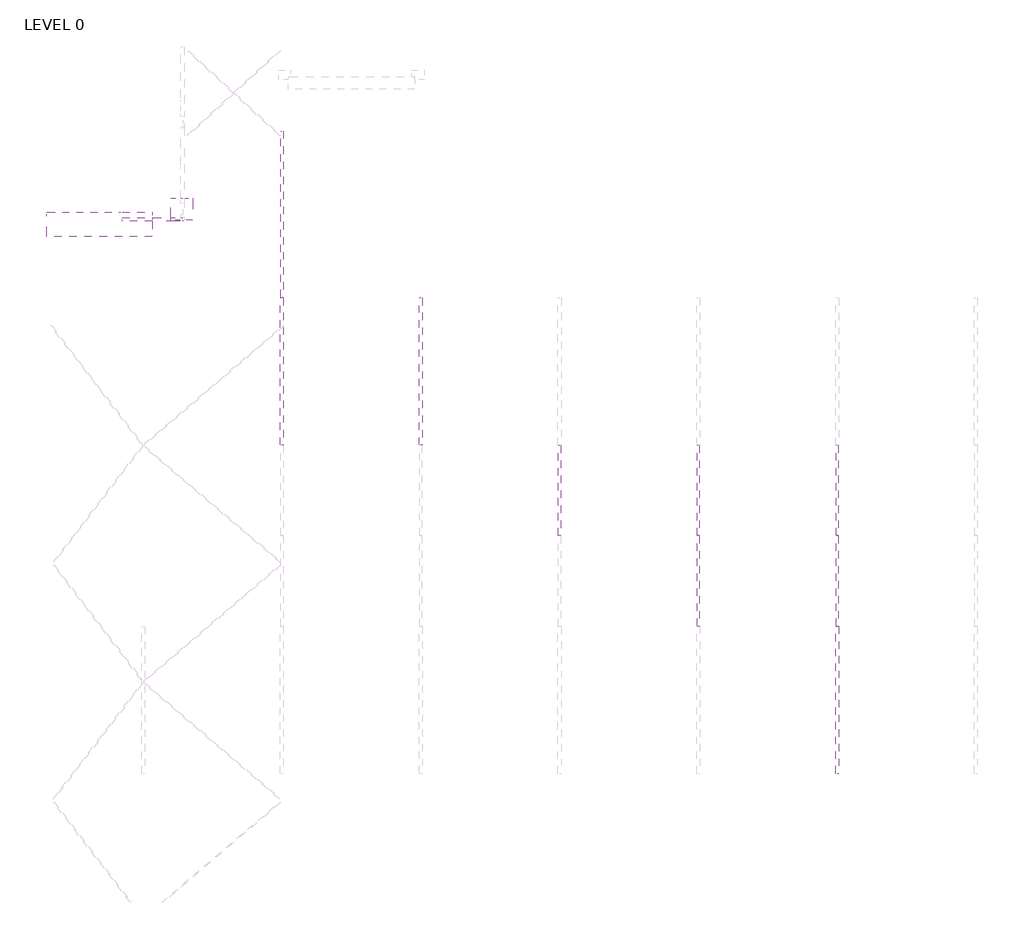
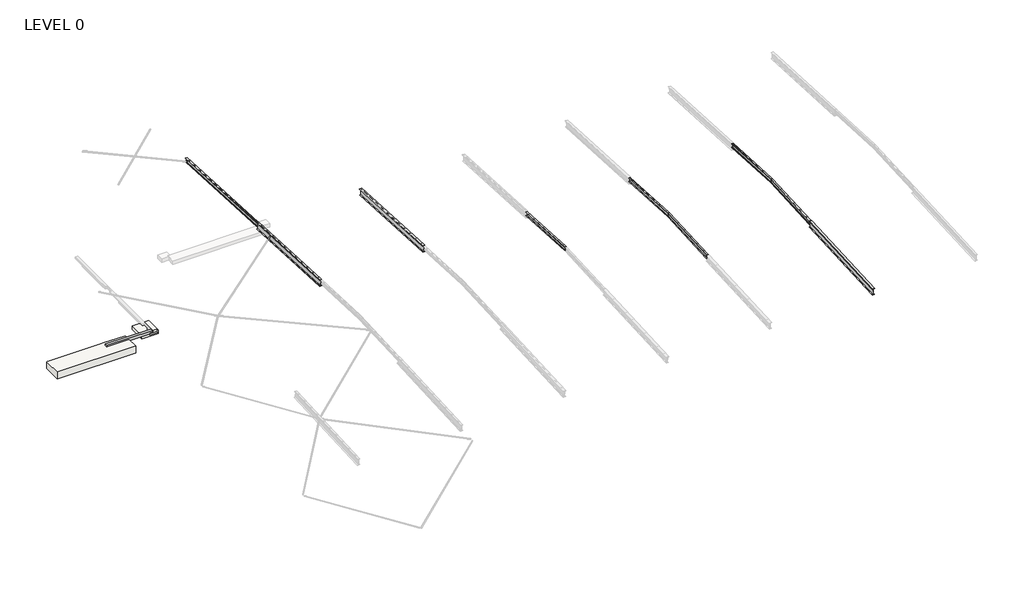
# One storey, part 2 of 11: 10 beams, 2 slabs.
"""IFC4 building model written with IfcOpenShell, lengths in millimetres."""

from ifc_helpers import new_model, si_unit, point, frame, frame_2d, origin, place, context, project, spatial, polyline, circle_curve, ellipse_curve, trimmed, segment, composite_curve, outline, extrude, faceted_brep, element, save
from ifc_brep_helpers import plane_surface, revolved_surface, advanced_brep

model = new_model("IFC4")

# Units and contexts
model_context = context("Model", 3, world=origin())
ifc_project = project(units=[si_unit("LENGTHUNIT", "METRE", prefix="MILLI")], contexts=[model_context])

# Site, building, storey
site = spatial("IfcSite", under=ifc_project)
building = spatial("IfcBuilding", under=site)
storey = spatial("IfcBuildingStorey", under=building, Name="LEVEL 0", Elevation=0.0)

# Beams
placement = place(None, origin())
element("IfcBeam", 1, ObjectType="NRP_Concrete Beam : EB1 - 400 x 300", at=placement, inside=storey, context=model_context, shape_type="Brep", body=[
    faceted_brep([(-315974.2907624, 76979.60101, 46950.0), (-315974.2907624, 76692.3010106, 46950.0), (-315974.2907624, 76679.60101, 46950.0), (-315974.2907624, 76679.60101, 46800.0), (-315974.2907624, 76692.3010106, 46800.0), (-315974.2907624, 76979.60101, 46800.0), (-321009.5907618, 76979.60101, 46950.0), (-316261.5907618, 76979.60101, 46950.0), (-316261.5907618, 76979.60101, 46800.0), (-316310.9863178, 76979.60101, 46800.0), (-316310.9863178, 76979.60101, 46700.0), (-317096.5907618, 76979.60101, 46700.0), (-317096.5907618, 76979.60101, 46650.0), (-318576.2885398, 76979.60101, 46650.0), (-318576.2885398, 76979.60101, 46800.0), (-321009.5907618, 76979.60101, 46800.0), (-317096.5907618, 76779.60101, 46650.0), (-316310.9863178, 76779.60101, 46650.0), (-316310.9863178, 76679.60101, 46650.0), (-318576.2885398, 76679.60101, 46650.0), (-321009.5907618, 76679.60101, 46950.0), (-321009.5907618, 76679.60101, 46800.0), (-318576.2885398, 76679.60101, 46800.0), (-316310.9863178, 76679.60101, 46800.0), (-317096.5907618, 76779.60101, 46700.0), (-316310.9863178, 76779.60101, 46700.0)], [[[0, 1, 2, 3, 4, 5]], [[6, 7, 0, 5, 8, 9, 10, 11, 12, 13, 14, 15]], [[12, 16, 17, 18, 19, 13]], [[2, 20, 21, 22, 19, 18, 23, 3]], [[24, 11, 10, 25]], [[16, 24, 25, 17]], [[11, 24, 16, 12]], [[2, 1, 0, 7, 6, 20]], [[20, 6, 15, 21]], [[23, 9, 8, 5, 4, 3]], [[9, 23, 18, 17, 25, 10]], [[22, 14, 13, 19]], [[14, 22, 21, 15]]]),
])
element("IfcBeam", 2, ObjectType="R11-410UB53.7", at=placement, inside=storey, context=model_context, shape_type="AdvancedBrep", body=[
    advanced_brep(
    [(-262830.0885398, 51070.0, 61105.8171698), (-262841.4885398, 51070.0, 61094.4015251), (-262841.4885398, 43700.7118633, 60708.1934989), (-262830.0885398, 43700.1152334, 60719.5778756), (-262830.0885398, 51070.0, 61464.3084697), (-262830.0885398, 43681.3789611, 61077.0872491), (-262841.4885398, 51070.0, 61475.7241144), (-262841.4885398, 43680.7823312, 61088.4716258), (-262915.2885398, 51070.0, 61475.7241144), (-262915.2885398, 43680.7823312, 61088.4716258), (-262915.2885398, 51070.0, 61486.639073), (-262915.2885398, 43680.2118693, 61099.3566877), (-262737.2885398, 51070.0, 61486.639073), (-262737.2885398, 43680.2118693, 61099.3566877), (-262737.2885398, 51070.0, 61475.7241144), (-262737.2885398, 43680.7823312, 61088.4716258), (-262915.2885398, 43700.7118633, 60708.1934989), (-262915.2885398, 43701.2823253, 60697.308437), (-262737.2885398, 43701.2823253, 60697.308437), (-262737.2885398, 43700.7118633, 60708.1934989), (-262811.0885398, 43700.7118633, 60708.1934989), (-262822.4885398, 43700.1152334, 60719.5778756), (-262822.4885398, 43681.3789611, 61077.0872491), (-262811.0885398, 43680.7823312, 61088.4716258), (-262915.2885398, 51070.0, 61094.4015251), (-262811.0885398, 51070.0, 61475.7241144), (-262822.4885398, 51070.0, 61464.3084697), (-262822.4885398, 51070.0, 61105.8171698), (-262811.0885398, 51070.0, 61094.4015251), (-262737.2885398, 51070.0, 61094.4015251), (-262737.2885398, 51070.0, 61083.4865665), (-262915.2885398, 51070.0, 61083.4865665)],
    [
        (0, 1, ellipse_curve(frame((-262841.4885398, 51070.0, 61105.8171698), z_axis=(0.0, 1.0, 0.0), x_axis=(0.0, 0.0, -1.0)), 11.4156447, 11.4)),
        (1, 2),
        (2, 3, circle_curve(frame((-262841.4885398, 43700.1152334, 60719.5778756), z_axis=(0.0, -0.9986295347545777, -0.052335956242871705), x_axis=(1.0, 0.0, 0.0)), 11.4)),
        (3, 0),
        (4, 0),
        (3, 5),
        (5, 4),
        (6, 4, ellipse_curve(frame((-262841.4885398, 51070.0, 61464.3084697), z_axis=(0.0, 1.0, 0.0), x_axis=(0.0, 0.0, -1.0)), 11.4156447, 11.4)),
        (5, 7, circle_curve(frame((-262841.4885398, 43681.3789611, 61077.0872491), z_axis=(0.0, -0.9986295347545777, -0.052335956242871705), x_axis=(1.0, 0.0, 0.0)), 11.4)),
        (7, 6),
        (8, 6),
        (7, 9),
        (9, 8),
        (10, 8),
        (9, 11),
        (11, 10),
        (12, 10),
        (11, 13),
        (13, 12),
        (14, 12),
        (13, 15),
        (15, 14),
        (16, 17),
        (17, 18),
        (18, 19),
        (19, 20),
        (20, 21, circle_curve(frame((-262811.0885398, 43700.1152334, 60719.5778756), z_axis=(0.0, 0.9986295347545777, 0.052335956242871705), x_axis=(1.0, 0.0, 0.0)), 11.4)),
        (21, 22),
        (22, 23, circle_curve(frame((-262811.0885398, 43681.3789611, 61077.0872491), z_axis=(0.0, 0.9986295347545777, 0.052335956242871705), x_axis=(1.0, 0.0, 0.0)), 11.4)),
        (23, 15),
        (2, 16),
        (1, 24),
        (24, 16),
        (25, 14),
        (23, 25),
        (26, 25, ellipse_curve(frame((-262811.0885398, 51070.0, 61464.3084697), z_axis=(0.0, 1.0, 0.0), x_axis=(0.0, 0.0, -1.0)), 11.4156447, 11.4)),
        (22, 26),
        (27, 26),
        (21, 27),
        (28, 27, ellipse_curve(frame((-262811.0885398, 51070.0, 61105.8171698), z_axis=(0.0, 1.0, 0.0), x_axis=(0.0, 0.0, -1.0)), 11.4156447, 11.4)),
        (20, 28),
        (29, 28),
        (19, 29),
        (30, 29),
        (18, 30),
        (31, 30),
        (17, 31),
        (24, 31),
    ],
    [
        revolved_surface(polyline([(-262830.08853979997, 43700.11523339669, 60719.57787563701), (-262830.08853979997, 51070.59662989749, 61105.848437874054)]), (-262841.4885398, 51020.0697232, 61103.2004349), (0.0, -0.9986295347545777, -0.052335956242871705)),
        plane_surface(frame((-262830.0885398, 51020.0697232, 61103.2004349), z_axis=(-1.0, 0.0, 0.0), x_axis=(0.0, -0.9986295347545777, -0.052335956242871705))),
        revolved_surface(polyline([(-262830.08853979997, 43681.378961103284, 61077.08724903736), (-262830.08853979997, 51070.5966299015, 61464.33973769755)]), (-262841.4885398, 51001.3334509, 61460.7098083), (0.0, -0.9986295347545777, -0.052335956242871705)),
        plane_surface(frame((-262841.4885398, 51000.736821, 61472.094185), z_axis=(0.0, 0.052335956242871705, -0.9986295347545777), x_axis=(0.0, -0.9986295347545777, -0.052335956242871705))),
        plane_surface(frame((-262915.2885398, 51000.736821, 61472.094185), z_axis=(-1.0, 0.0, 0.0), x_axis=(0.0, -0.9986295347545777, -0.052335956242871705))),
        plane_surface(frame((-262915.2885398, 51000.166359, 61482.979247), z_axis=(0.0, -0.052335956242871705, 0.9986295347545777), x_axis=(0.0, -0.9986295347545777, -0.052335956242871705))),
        plane_surface(frame((-262737.2885398, 51000.166359, 61482.979247), z_axis=(1.0, 0.0, 0.0), x_axis=(0.0, -0.9986295347545777, -0.052335956242871705))),
        plane_surface(frame((-262826.2885398, 43690.7470973, 60898.3325624), z_axis=(0.0, -0.9986295347545777, -0.052335956242871705), x_axis=(0.0, -0.052335956242871705, 0.9986295347545777))),
        plane_surface(frame((-262915.2885398, 51020.6663531, 61091.8160582), z_axis=(0.0, -0.052335956242871705, 0.9986295347545777), x_axis=(0.0, -0.9986295347545777, -0.052335956242871705))),
        plane_surface(frame((-262737.2885398, 51000.736821, 61472.094185), z_axis=(0.0, 0.052335956242871705, -0.9986295347545777), x_axis=(0.0, -0.9986295347545777, -0.052335956242871705))),
        revolved_surface(polyline([(-262799.6885398, 43681.378961103284, 61077.08724903736), (-262799.6885398, 51070.5966299015, 61464.33973769755)]), (-262811.0885398, 51001.3334509, 61460.7098083), (0.0, -0.9986295347545777, -0.052335956242871705)),
        plane_surface(frame((-262822.4885398, 51001.3334509, 61460.7098083), z_axis=(1.0, 0.0, 0.0), x_axis=(0.0, -0.9986295347545777, -0.052335956242871705))),
        revolved_surface(polyline([(-262799.6885398, 43700.11523339669, 60719.57787563701), (-262799.6885398, 51070.59662989749, 61105.848437874054)]), (-262811.0885398, 51020.0697232, 61103.2004349), (0.0, -0.9986295347545777, -0.052335956242871705)),
        plane_surface(frame((-262811.0885398, 51020.6663531, 61091.8160582), z_axis=(0.0, -0.052335956242871705, 0.9986295347545777), x_axis=(0.0, -0.9986295347545777, -0.052335956242871705))),
        plane_surface(frame((-262737.2885398, 51020.6663531, 61091.8160582), z_axis=(1.0, 0.0, 0.0), x_axis=(0.0, -0.9986295347545777, -0.052335956242871705))),
        plane_surface(frame((-262737.2885398, 51021.236815, 61080.9309963), z_axis=(0.0, 0.052335956242871705, -0.9986295347545777), x_axis=(0.0, -0.9986295347545777, -0.052335956242871705))),
        plane_surface(frame((-262915.2885398, 51021.236815, 61080.9309963), z_axis=(-1.0, 0.0, 0.0), x_axis=(0.0, -0.9986295347545777, -0.052335956242871705))),
        plane_surface(frame((-262826.2885398, 51070.0, 61083.4865665), z_axis=(0.0, 1.0, 0.0), x_axis=(0.0, 0.0, -1.0))),
    ],
    [
        (0, [[1, 2, 3, 4]]),
        (1, [[5, -4, 6, 7]]),
        (2, [[8, -7, 9, 10]]),
        (3, [[11, -10, 12, 13]]),
        (4, [[14, -13, 15, 16]]),
        (5, [[17, -16, 18, 19]]),
        (6, [[20, -19, 21, 22]]),
        (7, [[23, 24, 25, 26, 27, 28, 29, 30, -21, -18, -15, -12, -9, -6, -3, 31]]),
        (8, [[32, 33, -31, -2]]),
        (9, [[34, -22, -30, 35]]),
        (10, [[36, -35, -29, 37]]),
        (11, [[38, -37, -28, 39]]),
        (12, [[40, -39, -27, 41]]),
        (13, [[42, -41, -26, 43]]),
        (14, [[44, -43, -25, 45]]),
        (15, [[46, -45, -24, 47]]),
        (16, [[48, -47, -23, -33]]),
        (17, [[-32, -1, -5, -8, -11, -14, -17, -20, -34, -36, -38, -40, -42, -44, -46, -48]]),
    ],
),
])
element("IfcBeam", 3, ObjectType="R11-410UB53.7", at=placement, inside=storey, context=model_context, shape_type="AdvancedBrep", body=[
    advanced_brep(
    [(-262830.0885398, 51070.0, 61105.8171698), (-262830.0885398, 58439.7408844, 60719.5854162), (-262841.4885398, 58439.1442545, 60708.2010395), (-262841.4885398, 51070.0, 61094.4015251), (-262830.0885398, 51070.0, 61464.3084697), (-262830.0885398, 58458.4771568, 61077.0947896), (-262841.4885398, 51070.0, 61475.7241144), (-262841.4885398, 58459.0737867, 61088.4791663), (-262915.2885398, 51070.0, 61475.7241144), (-262915.2885398, 58459.0737867, 61088.4791663), (-262915.2885398, 51070.0, 61486.639073), (-262915.2885398, 58459.6442486, 61099.3642282), (-262737.2885398, 51070.0, 61486.639073), (-262737.2885398, 58459.6442486, 61099.3642282), (-262737.2885398, 51070.0, 61475.7241144), (-262737.2885398, 58459.0737867, 61088.4791663), (-262915.2885398, 58439.1442545, 60708.2010395), (-262811.0885398, 58459.0737867, 61088.4791663), (-262822.4885398, 58458.4771568, 61077.0947896), (-262822.4885398, 58439.7408844, 60719.5854162), (-262811.0885398, 58439.1442545, 60708.2010395), (-262737.2885398, 58439.1442545, 60708.2010395), (-262737.2885398, 58438.5737926, 60697.3159776), (-262915.2885398, 58438.5737926, 60697.3159776), (-262915.2885398, 51070.0, 61094.4015251), (-262811.0885398, 51070.0, 61475.7241144), (-262822.4885398, 51070.0, 61464.3084697), (-262822.4885398, 51070.0, 61105.8171698), (-262811.0885398, 51070.0, 61094.4015251), (-262737.2885398, 51070.0, 61094.4015251), (-262737.2885398, 51070.0, 61083.4865665), (-262915.2885398, 51070.0, 61083.4865665)],
    [
        (0, 1),
        (1, 2, circle_curve(frame((-262841.4885398, 58439.7408844, 60719.5854162), z_axis=(0.0, 0.9986295347545777, -0.05233595624287165), x_axis=(1.0, 0.0, 0.0)), 11.4)),
        (2, 3),
        (3, 0, ellipse_curve(frame((-262841.4885398, 51070.0, 61105.8171698), z_axis=(0.0, -1.0, 0.0), x_axis=(0.0, 0.0, -1.0)), 11.4156447, 11.4)),
        (4, 5),
        (5, 1),
        (0, 4),
        (6, 7),
        (7, 5, circle_curve(frame((-262841.4885398, 58458.4771568, 61077.0947896), z_axis=(0.0, 0.9986295347545777, -0.05233595624287165), x_axis=(1.0, 0.0, 0.0)), 11.4)),
        (4, 6, ellipse_curve(frame((-262841.4885398, 51070.0, 61464.3084697), z_axis=(0.0, -1.0, 0.0), x_axis=(0.0, 0.0, -1.0)), 11.4156447, 11.4)),
        (8, 9),
        (9, 7),
        (6, 8),
        (10, 11),
        (11, 9),
        (8, 10),
        (12, 13),
        (13, 11),
        (10, 12),
        (14, 15),
        (15, 13),
        (12, 14),
        (16, 2),
        (15, 17),
        (17, 18, circle_curve(frame((-262811.0885398, 58458.4771568, 61077.0947896), z_axis=(0.0, -0.9986295347545777, 0.05233595624287165), x_axis=(1.0, 0.0, 0.0)), 11.4)),
        (18, 19),
        (19, 20, circle_curve(frame((-262811.0885398, 58439.7408844, 60719.5854162), z_axis=(0.0, -0.9986295347545777, 0.05233595624287165), x_axis=(1.0, 0.0, 0.0)), 11.4)),
        (20, 21),
        (21, 22),
        (22, 23),
        (23, 16),
        (16, 24),
        (24, 3),
        (25, 17),
        (14, 25),
        (26, 18),
        (25, 26, ellipse_curve(frame((-262811.0885398, 51070.0, 61464.3084697), z_axis=(0.0, -1.0, 0.0), x_axis=(0.0, 0.0, -1.0)), 11.4156447, 11.4)),
        (27, 19),
        (26, 27),
        (28, 20),
        (27, 28, ellipse_curve(frame((-262811.0885398, 51070.0, 61105.8171698), z_axis=(0.0, -1.0, 0.0), x_axis=(0.0, 0.0, -1.0)), 11.4156447, 11.4)),
        (29, 21),
        (28, 29),
        (30, 22),
        (29, 30),
        (31, 23),
        (30, 31),
        (31, 24),
    ],
    [
        revolved_surface(polyline([(-262830.08853979997, 58439.74088439836, 60719.585416142516), (-262830.08853979997, 51069.40337010035, 61105.84843783283)]), (-262841.4885398, 51119.7863947, 61103.2079754), (0.0, 0.9986295347545777, -0.05233595624287165)),
        plane_surface(frame((-262830.0885398, 51119.7863947, 61103.2079754), z_axis=(-1.0, 0.0, 0.0), x_axis=(0.0, 0.9986295347545777, -0.05233595624287165))),
        revolved_surface(polyline([(-262830.08853979997, 58458.47715680194, 61077.09478963708), (-262830.08853979997, 51069.40337010157, 61464.33973775605)]), (-262841.4885398, 51138.522667, 61460.7173489), (0.0, 0.9986295347545777, -0.05233595624287165)),
        plane_surface(frame((-262841.4885398, 51139.1192969, 61472.1017256), z_axis=(0.0, -0.05233595624287165, -0.9986295347545777), x_axis=(0.0, 0.9986295347545777, -0.05233595624287165))),
        plane_surface(frame((-262915.2885398, 51139.1192969, 61472.1017256), z_axis=(-1.0, 0.0, 0.0), x_axis=(0.0, 0.9986295347545777, -0.05233595624287165))),
        plane_surface(frame((-262915.2885398, 51139.6897588, 61482.9867875), z_axis=(0.0, 0.05233595624287165, 0.9986295347545777), x_axis=(0.0, 0.9986295347545777, -0.05233595624287165))),
        plane_surface(frame((-262737.2885398, 51139.6897588, 61482.9867875), z_axis=(1.0, 0.0, 0.0), x_axis=(0.0, 0.9986295347545777, -0.05233595624287165))),
        plane_surface(frame((-262826.2885398, 58449.1090206, 60898.3401029), z_axis=(0.0, 0.9986295347545777, -0.05233595624287208), x_axis=(0.0, 0.05233595624287208, 0.9986295347545777))),
        plane_surface(frame((-262915.2885398, 51119.1897648, 61091.8235987), z_axis=(0.0, 0.05233595624287165, 0.9986295347545777), x_axis=(0.0, 0.9986295347545777, -0.05233595624287165))),
        plane_surface(frame((-262737.2885398, 51139.1192969, 61472.1017256), z_axis=(0.0, -0.05233595624287165, -0.9986295347545777), x_axis=(0.0, 0.9986295347545777, -0.05233595624287165))),
        revolved_surface(polyline([(-262799.6885398, 58458.47715680194, 61077.09478963708), (-262799.6885398, 51069.40337010157, 61464.33973775605)]), (-262811.0885398, 51138.522667, 61460.7173489), (0.0, 0.9986295347545777, -0.05233595624287165)),
        plane_surface(frame((-262822.4885398, 51138.522667, 61460.7173489), z_axis=(1.0, 0.0, 0.0), x_axis=(0.0, 0.9986295347545777, -0.05233595624287165))),
        revolved_surface(polyline([(-262799.6885398, 58439.74088439836, 60719.585416142516), (-262799.6885398, 51069.40337010035, 61105.84843783283)]), (-262811.0885398, 51119.7863947, 61103.2079754), (0.0, 0.9986295347545777, -0.05233595624287165)),
        plane_surface(frame((-262811.0885398, 51119.1897648, 61091.8235987), z_axis=(0.0, 0.05233595624287165, 0.9986295347545777), x_axis=(0.0, 0.9986295347545777, -0.05233595624287165))),
        plane_surface(frame((-262737.2885398, 51119.1897648, 61091.8235987), z_axis=(1.0, 0.0, 0.0), x_axis=(0.0, 0.9986295347545777, -0.05233595624287165))),
        plane_surface(frame((-262737.2885398, 51118.6193029, 61080.9385368), z_axis=(0.0, -0.05233595624287165, -0.9986295347545777), x_axis=(0.0, 0.9986295347545777, -0.05233595624287165))),
        plane_surface(frame((-262915.2885398, 51118.6193029, 61080.9385368), z_axis=(-1.0, 0.0, 0.0), x_axis=(0.0, 0.9986295347545777, -0.05233595624287165))),
        plane_surface(frame((-262826.2885398, 51070.0, 61083.4865665), z_axis=(0.0, -1.0, 0.0), x_axis=(0.0, 0.0, 1.0))),
    ],
    [
        (0, [[1, 2, 3, 4]]),
        (1, [[5, 6, -1, 7]]),
        (2, [[8, 9, -5, 10]]),
        (3, [[11, 12, -8, 13]]),
        (4, [[14, 15, -11, 16]]),
        (5, [[17, 18, -14, 19]]),
        (6, [[20, 21, -17, 22]]),
        (7, [[23, -2, -6, -9, -12, -15, -18, -21, 24, 25, 26, 27, 28, 29, 30, 31]]),
        (8, [[-3, -23, 32, 33]]),
        (9, [[34, -24, -20, 35]]),
        (10, [[36, -25, -34, 37]]),
        (11, [[38, -26, -36, 39]]),
        (12, [[40, -27, -38, 41]]),
        (13, [[42, -28, -40, 43]]),
        (14, [[44, -29, -42, 45]]),
        (15, [[46, -30, -44, 47]]),
        (16, [[-32, -31, -46, 48]]),
        (17, [[-48, -47, -45, -43, -41, -39, -37, -35, -22, -19, -16, -13, -10, -7, -4, -33]]),
    ],
),
])
element("IfcBeam", 4, ObjectType="R11-410UB53.7", at=placement, inside=storey, context=model_context, shape_type="AdvancedBrep", body=[
    advanced_brep(
    [(-274130.0885398, 51070.0, 61105.8171698), (-274141.4885398, 51070.0, 61094.4015251), (-274141.4885398, 43700.7118633, 60708.1934989), (-274130.0885398, 43700.1152334, 60719.5778756), (-274130.0885398, 51070.0, 61464.3084697), (-274130.0885398, 43681.3789611, 61077.0872491), (-274141.4885398, 51070.0, 61475.7241144), (-274141.4885398, 43680.7823312, 61088.4716258), (-274215.2885398, 51070.0, 61475.7241144), (-274215.2885398, 43680.7823312, 61088.4716258), (-274215.2885398, 51070.0, 61486.639073), (-274215.2885398, 43680.2118693, 61099.3566877), (-274037.2885398, 51070.0, 61486.639073), (-274037.2885398, 43680.2118693, 61099.3566877), (-274037.2885398, 51070.0, 61475.7241144), (-274037.2885398, 43680.7823312, 61088.4716258), (-274215.2885398, 43700.7118633, 60708.1934989), (-274215.2885398, 43701.2823253, 60697.308437), (-274037.2885398, 43701.2823253, 60697.308437), (-274037.2885398, 43700.7118633, 60708.1934989), (-274111.0885398, 43700.7118633, 60708.1934989), (-274122.4885398, 43700.1152334, 60719.5778756), (-274122.4885398, 43681.3789611, 61077.0872491), (-274111.0885398, 43680.7823312, 61088.4716258), (-274215.2885398, 51070.0, 61094.4015251), (-274111.0885398, 51070.0, 61475.7241144), (-274122.4885398, 51070.0, 61464.3084697), (-274122.4885398, 51070.0, 61105.8171698), (-274111.0885398, 51070.0, 61094.4015251), (-274037.2885398, 51070.0, 61094.4015251), (-274037.2885398, 51070.0, 61083.4865665), (-274215.2885398, 51070.0, 61083.4865665)],
    [
        (0, 1, ellipse_curve(frame((-274141.4885398, 51070.0, 61105.8171698), z_axis=(0.0, 1.0, 0.0), x_axis=(0.0, 0.0, -1.0)), 11.4156447, 11.4)),
        (1, 2),
        (2, 3, circle_curve(frame((-274141.4885398, 43700.1152334, 60719.5778756), z_axis=(0.0, -0.9986295347545777, -0.052335956242871705), x_axis=(1.0, 0.0, 0.0)), 11.4)),
        (3, 0),
        (4, 0),
        (3, 5),
        (5, 4),
        (6, 4, ellipse_curve(frame((-274141.4885398, 51070.0, 61464.3084697), z_axis=(0.0, 1.0, 0.0), x_axis=(0.0, 0.0, -1.0)), 11.4156447, 11.4)),
        (5, 7, circle_curve(frame((-274141.4885398, 43681.3789611, 61077.0872491), z_axis=(0.0, -0.9986295347545777, -0.052335956242871705), x_axis=(1.0, 0.0, 0.0)), 11.4)),
        (7, 6),
        (8, 6),
        (7, 9),
        (9, 8),
        (10, 8),
        (9, 11),
        (11, 10),
        (12, 10),
        (11, 13),
        (13, 12),
        (14, 12),
        (13, 15),
        (15, 14),
        (16, 17),
        (17, 18),
        (18, 19),
        (19, 20),
        (20, 21, circle_curve(frame((-274111.0885398, 43700.1152334, 60719.5778756), z_axis=(0.0, 0.9986295347545777, 0.052335956242871705), x_axis=(1.0, 0.0, 0.0)), 11.4)),
        (21, 22),
        (22, 23, circle_curve(frame((-274111.0885398, 43681.3789611, 61077.0872491), z_axis=(0.0, 0.9986295347545777, 0.052335956242871705), x_axis=(1.0, 0.0, 0.0)), 11.4)),
        (23, 15),
        (2, 16),
        (1, 24),
        (24, 16),
        (25, 14),
        (23, 25),
        (26, 25, ellipse_curve(frame((-274111.0885398, 51070.0, 61464.3084697), z_axis=(0.0, 1.0, 0.0), x_axis=(0.0, 0.0, -1.0)), 11.4156447, 11.4)),
        (22, 26),
        (27, 26),
        (21, 27),
        (28, 27, ellipse_curve(frame((-274111.0885398, 51070.0, 61105.8171698), z_axis=(0.0, 1.0, 0.0), x_axis=(0.0, 0.0, -1.0)), 11.4156447, 11.4)),
        (20, 28),
        (29, 28),
        (19, 29),
        (30, 29),
        (18, 30),
        (31, 30),
        (17, 31),
        (24, 31),
    ],
    [
        revolved_surface(polyline([(-274130.08853979997, 43700.11523339669, 60719.57787563701), (-274130.08853979997, 51070.59662989749, 61105.848437874054)]), (-274141.4885398, 51020.0697232, 61103.2004349), (0.0, -0.9986295347545777, -0.052335956242871705)),
        plane_surface(frame((-274130.0885398, 51020.0697232, 61103.2004349), z_axis=(-1.0, 0.0, 0.0), x_axis=(0.0, -0.9986295347545777, -0.052335956242871705))),
        revolved_surface(polyline([(-274130.08853979997, 43681.378961103284, 61077.08724903736), (-274130.08853979997, 51070.5966299015, 61464.33973769755)]), (-274141.4885398, 51001.3334509, 61460.7098083), (0.0, -0.9986295347545777, -0.052335956242871705)),
        plane_surface(frame((-274141.4885398, 51000.736821, 61472.094185), z_axis=(0.0, 0.052335956242871705, -0.9986295347545777), x_axis=(0.0, -0.9986295347545777, -0.052335956242871705))),
        plane_surface(frame((-274215.2885398, 51000.736821, 61472.094185), z_axis=(-1.0, 0.0, 0.0), x_axis=(0.0, -0.9986295347545777, -0.052335956242871705))),
        plane_surface(frame((-274215.2885398, 51000.166359, 61482.979247), z_axis=(0.0, -0.052335956242871705, 0.9986295347545777), x_axis=(0.0, -0.9986295347545777, -0.052335956242871705))),
        plane_surface(frame((-274037.2885398, 51000.166359, 61482.979247), z_axis=(1.0, 0.0, 0.0), x_axis=(0.0, -0.9986295347545777, -0.052335956242871705))),
        plane_surface(frame((-274126.2885398, 43690.7470973, 60898.3325624), z_axis=(0.0, -0.9986295347545777, -0.052335956242871705), x_axis=(0.0, -0.052335956242871705, 0.9986295347545777))),
        plane_surface(frame((-274215.2885398, 51020.6663531, 61091.8160582), z_axis=(0.0, -0.052335956242871705, 0.9986295347545777), x_axis=(0.0, -0.9986295347545777, -0.052335956242871705))),
        plane_surface(frame((-274037.2885398, 51000.736821, 61472.094185), z_axis=(0.0, 0.052335956242871705, -0.9986295347545777), x_axis=(0.0, -0.9986295347545777, -0.052335956242871705))),
        revolved_surface(polyline([(-274099.6885398, 43681.378961103284, 61077.08724903736), (-274099.6885398, 51070.5966299015, 61464.33973769755)]), (-274111.0885398, 51001.3334509, 61460.7098083), (0.0, -0.9986295347545777, -0.052335956242871705)),
        plane_surface(frame((-274122.4885398, 51001.3334509, 61460.7098083), z_axis=(1.0, 0.0, 0.0), x_axis=(0.0, -0.9986295347545777, -0.052335956242871705))),
        revolved_surface(polyline([(-274099.6885398, 43700.11523339669, 60719.57787563701), (-274099.6885398, 51070.59662989749, 61105.848437874054)]), (-274111.0885398, 51020.0697232, 61103.2004349), (0.0, -0.9986295347545777, -0.052335956242871705)),
        plane_surface(frame((-274111.0885398, 51020.6663531, 61091.8160582), z_axis=(0.0, -0.052335956242871705, 0.9986295347545777), x_axis=(0.0, -0.9986295347545777, -0.052335956242871705))),
        plane_surface(frame((-274037.2885398, 51020.6663531, 61091.8160582), z_axis=(1.0, 0.0, 0.0), x_axis=(0.0, -0.9986295347545777, -0.052335956242871705))),
        plane_surface(frame((-274037.2885398, 51021.236815, 61080.9309963), z_axis=(0.0, 0.052335956242871705, -0.9986295347545777), x_axis=(0.0, -0.9986295347545777, -0.052335956242871705))),
        plane_surface(frame((-274215.2885398, 51021.236815, 61080.9309963), z_axis=(-1.0, 0.0, 0.0), x_axis=(0.0, -0.9986295347545777, -0.052335956242871705))),
        plane_surface(frame((-274126.2885398, 51070.0, 61083.4865665), z_axis=(0.0, 1.0, 0.0), x_axis=(0.0, 0.0, -1.0))),
    ],
    [
        (0, [[1, 2, 3, 4]]),
        (1, [[5, -4, 6, 7]]),
        (2, [[8, -7, 9, 10]]),
        (3, [[11, -10, 12, 13]]),
        (4, [[14, -13, 15, 16]]),
        (5, [[17, -16, 18, 19]]),
        (6, [[20, -19, 21, 22]]),
        (7, [[23, 24, 25, 26, 27, 28, 29, 30, -21, -18, -15, -12, -9, -6, -3, 31]]),
        (8, [[32, 33, -31, -2]]),
        (9, [[34, -22, -30, 35]]),
        (10, [[36, -35, -29, 37]]),
        (11, [[38, -37, -28, 39]]),
        (12, [[40, -39, -27, 41]]),
        (13, [[42, -41, -26, 43]]),
        (14, [[44, -43, -25, 45]]),
        (15, [[46, -45, -24, 47]]),
        (16, [[48, -47, -23, -33]]),
        (17, [[-32, -1, -5, -8, -11, -14, -17, -20, -34, -36, -38, -40, -42, -44, -46, -48]]),
    ],
),
])
element("IfcBeam", 5, ObjectType="R11-410UB53.7", at=placement, inside=storey, context=model_context, shape_type="AdvancedBrep", body=[
    advanced_brep(
    [(-274130.0885398, 51070.0, 61105.8171698), (-274130.0885398, 58439.7408844, 60719.5854162), (-274141.4885398, 58439.1442545, 60708.2010395), (-274141.4885398, 51070.0, 61094.4015251), (-274130.0885398, 51070.0, 61464.3084697), (-274130.0885398, 58458.4771568, 61077.0947896), (-274141.4885398, 51070.0, 61475.7241144), (-274141.4885398, 58459.0737867, 61088.4791663), (-274215.2885398, 51070.0, 61475.7241144), (-274215.2885398, 58459.0737867, 61088.4791663), (-274215.2885398, 51070.0, 61486.639073), (-274215.2885398, 58459.6442486, 61099.3642282), (-274037.2885398, 51070.0, 61486.639073), (-274037.2885398, 58459.6442486, 61099.3642282), (-274037.2885398, 51070.0, 61475.7241144), (-274037.2885398, 58459.0737867, 61088.4791663), (-274215.2885398, 58439.1442545, 60708.2010395), (-274111.0885398, 58459.0737867, 61088.4791663), (-274122.4885398, 58458.4771568, 61077.0947896), (-274122.4885398, 58439.7408844, 60719.5854162), (-274111.0885398, 58439.1442545, 60708.2010395), (-274037.2885398, 58439.1442545, 60708.2010395), (-274037.2885398, 58438.5737926, 60697.3159776), (-274215.2885398, 58438.5737926, 60697.3159776), (-274215.2885398, 51070.0, 61094.4015251), (-274111.0885398, 51070.0, 61475.7241144), (-274122.4885398, 51070.0, 61464.3084697), (-274122.4885398, 51070.0, 61105.8171698), (-274111.0885398, 51070.0, 61094.4015251), (-274037.2885398, 51070.0, 61094.4015251), (-274037.2885398, 51070.0, 61083.4865665), (-274215.2885398, 51070.0, 61083.4865665)],
    [
        (0, 1),
        (1, 2, circle_curve(frame((-274141.4885398, 58439.7408844, 60719.5854162), z_axis=(0.0, 0.9986295347545777, -0.05233595624287165), x_axis=(1.0, 0.0, 0.0)), 11.4)),
        (2, 3),
        (3, 0, ellipse_curve(frame((-274141.4885398, 51070.0, 61105.8171698), z_axis=(0.0, -1.0, 0.0), x_axis=(0.0, 0.0, -1.0)), 11.4156447, 11.4)),
        (4, 5),
        (5, 1),
        (0, 4),
        (6, 7),
        (7, 5, circle_curve(frame((-274141.4885398, 58458.4771568, 61077.0947896), z_axis=(0.0, 0.9986295347545777, -0.05233595624287165), x_axis=(1.0, 0.0, 0.0)), 11.4)),
        (4, 6, ellipse_curve(frame((-274141.4885398, 51070.0, 61464.3084697), z_axis=(0.0, -1.0, 0.0), x_axis=(0.0, 0.0, -1.0)), 11.4156447, 11.4)),
        (8, 9),
        (9, 7),
        (6, 8),
        (10, 11),
        (11, 9),
        (8, 10),
        (12, 13),
        (13, 11),
        (10, 12),
        (14, 15),
        (15, 13),
        (12, 14),
        (16, 2),
        (15, 17),
        (17, 18, circle_curve(frame((-274111.0885398, 58458.4771568, 61077.0947896), z_axis=(0.0, -0.9986295347545777, 0.05233595624287165), x_axis=(1.0, 0.0, 0.0)), 11.4)),
        (18, 19),
        (19, 20, circle_curve(frame((-274111.0885398, 58439.7408844, 60719.5854162), z_axis=(0.0, -0.9986295347545777, 0.05233595624287165), x_axis=(1.0, 0.0, 0.0)), 11.4)),
        (20, 21),
        (21, 22),
        (22, 23),
        (23, 16),
        (16, 24),
        (24, 3),
        (25, 17),
        (14, 25),
        (26, 18),
        (25, 26, ellipse_curve(frame((-274111.0885398, 51070.0, 61464.3084697), z_axis=(0.0, -1.0, 0.0), x_axis=(0.0, 0.0, -1.0)), 11.4156447, 11.4)),
        (27, 19),
        (26, 27),
        (28, 20),
        (27, 28, ellipse_curve(frame((-274111.0885398, 51070.0, 61105.8171698), z_axis=(0.0, -1.0, 0.0), x_axis=(0.0, 0.0, -1.0)), 11.4156447, 11.4)),
        (29, 21),
        (28, 29),
        (30, 22),
        (29, 30),
        (31, 23),
        (30, 31),
        (31, 24),
    ],
    [
        revolved_surface(polyline([(-274130.08853979997, 58439.74088439836, 60719.585416142516), (-274130.08853979997, 51069.40337010035, 61105.84843783283)]), (-274141.4885398, 51119.7863947, 61103.2079754), (0.0, 0.9986295347545777, -0.05233595624287165)),
        plane_surface(frame((-274130.0885398, 51119.7863947, 61103.2079754), z_axis=(-1.0, 0.0, 0.0), x_axis=(0.0, 0.9986295347545777, -0.05233595624287165))),
        revolved_surface(polyline([(-274130.08853979997, 58458.47715680194, 61077.09478963708), (-274130.08853979997, 51069.40337010157, 61464.33973775605)]), (-274141.4885398, 51138.522667, 61460.7173489), (0.0, 0.9986295347545777, -0.05233595624287165)),
        plane_surface(frame((-274141.4885398, 51139.1192969, 61472.1017256), z_axis=(0.0, -0.05233595624287165, -0.9986295347545777), x_axis=(0.0, 0.9986295347545777, -0.05233595624287165))),
        plane_surface(frame((-274215.2885398, 51139.1192969, 61472.1017256), z_axis=(-1.0, 0.0, 0.0), x_axis=(0.0, 0.9986295347545777, -0.05233595624287165))),
        plane_surface(frame((-274215.2885398, 51139.6897588, 61482.9867875), z_axis=(0.0, 0.05233595624287165, 0.9986295347545777), x_axis=(0.0, 0.9986295347545777, -0.05233595624287165))),
        plane_surface(frame((-274037.2885398, 51139.6897588, 61482.9867875), z_axis=(1.0, 0.0, 0.0), x_axis=(0.0, 0.9986295347545777, -0.05233595624287165))),
        plane_surface(frame((-274126.2885398, 58449.1090206, 60898.3401029), z_axis=(0.0, 0.9986295347545777, -0.05233595624287208), x_axis=(0.0, 0.05233595624287208, 0.9986295347545777))),
        plane_surface(frame((-274215.2885398, 51119.1897648, 61091.8235987), z_axis=(0.0, 0.05233595624287165, 0.9986295347545777), x_axis=(0.0, 0.9986295347545777, -0.05233595624287165))),
        plane_surface(frame((-274037.2885398, 51139.1192969, 61472.1017256), z_axis=(0.0, -0.05233595624287165, -0.9986295347545777), x_axis=(0.0, 0.9986295347545777, -0.05233595624287165))),
        revolved_surface(polyline([(-274099.6885398, 58458.47715680194, 61077.09478963708), (-274099.6885398, 51069.40337010157, 61464.33973775605)]), (-274111.0885398, 51138.522667, 61460.7173489), (0.0, 0.9986295347545777, -0.05233595624287165)),
        plane_surface(frame((-274122.4885398, 51138.522667, 61460.7173489), z_axis=(1.0, 0.0, 0.0), x_axis=(0.0, 0.9986295347545777, -0.05233595624287165))),
        revolved_surface(polyline([(-274099.6885398, 58439.74088439836, 60719.585416142516), (-274099.6885398, 51069.40337010035, 61105.84843783283)]), (-274111.0885398, 51119.7863947, 61103.2079754), (0.0, 0.9986295347545777, -0.05233595624287165)),
        plane_surface(frame((-274111.0885398, 51119.1897648, 61091.8235987), z_axis=(0.0, 0.05233595624287165, 0.9986295347545777), x_axis=(0.0, 0.9986295347545777, -0.05233595624287165))),
        plane_surface(frame((-274037.2885398, 51119.1897648, 61091.8235987), z_axis=(1.0, 0.0, 0.0), x_axis=(0.0, 0.9986295347545777, -0.05233595624287165))),
        plane_surface(frame((-274037.2885398, 51118.6193029, 61080.9385368), z_axis=(0.0, -0.05233595624287165, -0.9986295347545777), x_axis=(0.0, 0.9986295347545777, -0.05233595624287165))),
        plane_surface(frame((-274215.2885398, 51118.6193029, 61080.9385368), z_axis=(-1.0, 0.0, 0.0), x_axis=(0.0, 0.9986295347545777, -0.05233595624287165))),
        plane_surface(frame((-274126.2885398, 51070.0, 61083.4865665), z_axis=(0.0, -1.0, 0.0), x_axis=(0.0, 0.0, 1.0))),
    ],
    [
        (0, [[1, 2, 3, 4]]),
        (1, [[5, 6, -1, 7]]),
        (2, [[8, 9, -5, 10]]),
        (3, [[11, 12, -8, 13]]),
        (4, [[14, 15, -11, 16]]),
        (5, [[17, 18, -14, 19]]),
        (6, [[20, 21, -17, 22]]),
        (7, [[23, -2, -6, -9, -12, -15, -18, -21, 24, 25, 26, 27, 28, 29, 30, 31]]),
        (8, [[-3, -23, 32, 33]]),
        (9, [[34, -24, -20, 35]]),
        (10, [[36, -25, -34, 37]]),
        (11, [[38, -26, -36, 39]]),
        (12, [[40, -27, -38, 41]]),
        (13, [[42, -28, -40, 43]]),
        (14, [[44, -29, -42, 45]]),
        (15, [[46, -30, -44, 47]]),
        (16, [[-32, -31, -46, 48]]),
        (17, [[-48, -47, -45, -43, -41, -39, -37, -35, -22, -19, -16, -13, -10, -7, -4, -33]]),
    ],
),
])
element("IfcBeam", 6, ObjectType="R11-410UB53.7", at=placement, inside=storey, context=model_context, shape_type="AdvancedBrep", body=[
    advanced_brep(
    [(-285430.0885398, 51070.0, 61105.8171698), (-285430.0885398, 58439.7408844, 60719.5854162), (-285441.4885398, 58439.1442545, 60708.2010395), (-285441.4885398, 51070.0, 61094.4015251), (-285430.0885398, 51070.0, 61464.3084697), (-285430.0885398, 58458.4771568, 61077.0947896), (-285441.4885398, 51070.0, 61475.7241144), (-285441.4885398, 58459.0737867, 61088.4791663), (-285515.2885398, 51070.0, 61475.7241144), (-285515.2885398, 58459.0737867, 61088.4791663), (-285515.2885398, 51070.0, 61486.639073), (-285515.2885398, 58459.6442486, 61099.3642282), (-285337.2885398, 51070.0, 61486.639073), (-285337.2885398, 58459.6442486, 61099.3642282), (-285337.2885398, 51070.0, 61475.7241144), (-285337.2885398, 58459.0737867, 61088.4791663), (-285515.2885398, 58439.1442545, 60708.2010395), (-285411.0885398, 58459.0737867, 61088.4791663), (-285422.4885398, 58458.4771568, 61077.0947896), (-285422.4885398, 58439.7408844, 60719.5854162), (-285411.0885398, 58439.1442545, 60708.2010395), (-285337.2885398, 58439.1442545, 60708.2010395), (-285337.2885398, 58438.5737926, 60697.3159776), (-285515.2885398, 58438.5737926, 60697.3159776), (-285515.2885398, 51070.0, 61094.4015251), (-285411.0885398, 51070.0, 61475.7241144), (-285422.4885398, 51070.0, 61464.3084697), (-285422.4885398, 51070.0, 61105.8171698), (-285411.0885398, 51070.0, 61094.4015251), (-285337.2885398, 51070.0, 61094.4015251), (-285337.2885398, 51070.0, 61083.4865665), (-285515.2885398, 51070.0, 61083.4865665)],
    [
        (0, 1),
        (1, 2, circle_curve(frame((-285441.4885398, 58439.7408844, 60719.5854162), z_axis=(0.0, 0.9986295347545777, -0.05233595624287165), x_axis=(1.0, 0.0, 0.0)), 11.4)),
        (2, 3),
        (3, 0, ellipse_curve(frame((-285441.4885398, 51070.0, 61105.8171698), z_axis=(0.0, -1.0, 0.0), x_axis=(0.0, 0.0, -1.0)), 11.4156447, 11.4)),
        (4, 5),
        (5, 1),
        (0, 4),
        (6, 7),
        (7, 5, circle_curve(frame((-285441.4885398, 58458.4771568, 61077.0947896), z_axis=(0.0, 0.9986295347545777, -0.05233595624287165), x_axis=(1.0, 0.0, 0.0)), 11.4)),
        (4, 6, ellipse_curve(frame((-285441.4885398, 51070.0, 61464.3084697), z_axis=(0.0, -1.0, 0.0), x_axis=(0.0, 0.0, -1.0)), 11.4156447, 11.4)),
        (8, 9),
        (9, 7),
        (6, 8),
        (10, 11),
        (11, 9),
        (8, 10),
        (12, 13),
        (13, 11),
        (10, 12),
        (14, 15),
        (15, 13),
        (12, 14),
        (16, 2),
        (15, 17),
        (17, 18, circle_curve(frame((-285411.0885398, 58458.4771568, 61077.0947896), z_axis=(0.0, -0.9986295347545777, 0.05233595624287165), x_axis=(1.0, 0.0, 0.0)), 11.4)),
        (18, 19),
        (19, 20, circle_curve(frame((-285411.0885398, 58439.7408844, 60719.5854162), z_axis=(0.0, -0.9986295347545777, 0.05233595624287165), x_axis=(1.0, 0.0, 0.0)), 11.4)),
        (20, 21),
        (21, 22),
        (22, 23),
        (23, 16),
        (16, 24),
        (24, 3),
        (25, 17),
        (14, 25),
        (26, 18),
        (25, 26, ellipse_curve(frame((-285411.0885398, 51070.0, 61464.3084697), z_axis=(0.0, -1.0, 0.0), x_axis=(0.0, 0.0, -1.0)), 11.4156447, 11.4)),
        (27, 19),
        (26, 27),
        (28, 20),
        (27, 28, ellipse_curve(frame((-285411.0885398, 51070.0, 61105.8171698), z_axis=(0.0, -1.0, 0.0), x_axis=(0.0, 0.0, -1.0)), 11.4156447, 11.4)),
        (29, 21),
        (28, 29),
        (30, 22),
        (29, 30),
        (31, 23),
        (30, 31),
        (31, 24),
    ],
    [
        revolved_surface(polyline([(-285430.08853979997, 58439.74088439836, 60719.585416142516), (-285430.08853979997, 51069.40337010035, 61105.84843783283)]), (-285441.4885398, 51119.7863947, 61103.2079754), (0.0, 0.9986295347545777, -0.05233595624287165)),
        plane_surface(frame((-285430.0885398, 51119.7863947, 61103.2079754), z_axis=(-1.0, 0.0, 0.0), x_axis=(0.0, 0.9986295347545777, -0.05233595624287165))),
        revolved_surface(polyline([(-285430.08853979997, 58458.47715680194, 61077.09478963708), (-285430.08853979997, 51069.40337010157, 61464.33973775605)]), (-285441.4885398, 51138.522667, 61460.7173489), (0.0, 0.9986295347545777, -0.05233595624287165)),
        plane_surface(frame((-285441.4885398, 51139.1192969, 61472.1017256), z_axis=(0.0, -0.05233595624287165, -0.9986295347545777), x_axis=(0.0, 0.9986295347545777, -0.05233595624287165))),
        plane_surface(frame((-285515.2885398, 51139.1192969, 61472.1017256), z_axis=(-1.0, 0.0, 0.0), x_axis=(0.0, 0.9986295347545777, -0.05233595624287165))),
        plane_surface(frame((-285515.2885398, 51139.6897588, 61482.9867875), z_axis=(0.0, 0.05233595624287165, 0.9986295347545777), x_axis=(0.0, 0.9986295347545777, -0.05233595624287165))),
        plane_surface(frame((-285337.2885398, 51139.6897588, 61482.9867875), z_axis=(1.0, 0.0, 0.0), x_axis=(0.0, 0.9986295347545777, -0.05233595624287165))),
        plane_surface(frame((-285426.2885398, 58449.1090206, 60898.3401029), z_axis=(0.0, 0.9986295347545777, -0.05233595624287208), x_axis=(0.0, 0.05233595624287208, 0.9986295347545777))),
        plane_surface(frame((-285515.2885398, 51119.1897648, 61091.8235987), z_axis=(0.0, 0.05233595624287165, 0.9986295347545777), x_axis=(0.0, 0.9986295347545777, -0.05233595624287165))),
        plane_surface(frame((-285337.2885398, 51139.1192969, 61472.1017256), z_axis=(0.0, -0.05233595624287165, -0.9986295347545777), x_axis=(0.0, 0.9986295347545777, -0.05233595624287165))),
        revolved_surface(polyline([(-285399.6885398, 58458.47715680194, 61077.09478963708), (-285399.6885398, 51069.40337010157, 61464.33973775605)]), (-285411.0885398, 51138.522667, 61460.7173489), (0.0, 0.9986295347545777, -0.05233595624287165)),
        plane_surface(frame((-285422.4885398, 51138.522667, 61460.7173489), z_axis=(1.0, 0.0, 0.0), x_axis=(0.0, 0.9986295347545777, -0.05233595624287165))),
        revolved_surface(polyline([(-285399.6885398, 58439.74088439836, 60719.585416142516), (-285399.6885398, 51069.40337010035, 61105.84843783283)]), (-285411.0885398, 51119.7863947, 61103.2079754), (0.0, 0.9986295347545777, -0.05233595624287165)),
        plane_surface(frame((-285411.0885398, 51119.1897648, 61091.8235987), z_axis=(0.0, 0.05233595624287165, 0.9986295347545777), x_axis=(0.0, 0.9986295347545777, -0.05233595624287165))),
        plane_surface(frame((-285337.2885398, 51119.1897648, 61091.8235987), z_axis=(1.0, 0.0, 0.0), x_axis=(0.0, 0.9986295347545777, -0.05233595624287165))),
        plane_surface(frame((-285337.2885398, 51118.6193029, 61080.9385368), z_axis=(0.0, -0.05233595624287165, -0.9986295347545777), x_axis=(0.0, 0.9986295347545777, -0.05233595624287165))),
        plane_surface(frame((-285515.2885398, 51118.6193029, 61080.9385368), z_axis=(-1.0, 0.0, 0.0), x_axis=(0.0, 0.9986295347545777, -0.05233595624287165))),
        plane_surface(frame((-285426.2885398, 51070.0, 61083.4865665), z_axis=(0.0, -1.0, 0.0), x_axis=(0.0, 0.0, 1.0))),
    ],
    [
        (0, [[1, 2, 3, 4]]),
        (1, [[5, 6, -1, 7]]),
        (2, [[8, 9, -5, 10]]),
        (3, [[11, 12, -8, 13]]),
        (4, [[14, 15, -11, 16]]),
        (5, [[17, 18, -14, 19]]),
        (6, [[20, 21, -17, 22]]),
        (7, [[23, -2, -6, -9, -12, -15, -18, -21, 24, 25, 26, 27, 28, 29, 30, 31]]),
        (8, [[-3, -23, 32, 33]]),
        (9, [[34, -24, -20, 35]]),
        (10, [[36, -25, -34, 37]]),
        (11, [[38, -26, -36, 39]]),
        (12, [[40, -27, -38, 41]]),
        (13, [[42, -28, -40, 43]]),
        (14, [[44, -29, -42, 45]]),
        (15, [[46, -30, -44, 47]]),
        (16, [[-32, -31, -46, 48]]),
        (17, [[-48, -47, -45, -43, -41, -39, -37, -35, -22, -19, -16, -13, -10, -7, -4, -33]]),
    ],
),
])
element("IfcBeam", 7, ObjectType="R3-700WB130", at=placement, inside=storey, context=model_context, shape_type="SweptSolid", body=[
    extrude(outline(polyline([(-330.0, 125.0), (-330.0, 5.0), (329.9999999, 5.0), (329.9999999, 125.0), (349.9999999, 125.0), (349.9999999, -125.0), (329.9999999, -125.0), (329.9999999, -5.0), (-330.0, -5.0), (-330.0, -125.0), (-350.0, -125.0), (-350.0, 125.0), (-330.0, 125.0)])), frame((-308026.2885398, 70444.9198197, 60120.7622304), z_axis=(0.0, -0.9986295347545777, 0.052335956242871504), x_axis=(0.0, 0.052335956242871504, 0.9986295347545777)), (0.0, 0.0, 1.0), 12000.0),
])
element("IfcBeam", 8, ObjectType="R3-700WB130", at=placement, inside=storey, context=model_context, shape_type="SweptSolid", body=[
    extrude(outline(polyline([(-330.0, -125.0), (-350.0, -125.0), (-350.0, 125.0), (-330.0, 125.0), (-330.0, 5.0), (329.9999999, 5.0), (329.9999999, 125.0), (349.9999999, 125.0), (349.9999999, -125.0), (329.9999999, -125.0), (329.9999999, -5.0), (-330.0, -5.0), (-330.0, -125.0)])), frame((-262826.2885398, 31695.0801803, 60120.7622304), z_axis=(0.0, 0.9986295347545777, 0.052335956242871504), x_axis=(0.0, -0.052335956242871504, 0.9986295347545777)), (0.0, 0.0, 1.0), 12000.0),
])
element("IfcBeam", 9, ObjectType="R3-700WB130", at=placement, inside=storey, context=model_context, shape_type="SweptSolid", body=[
    extrude(outline(polyline([(-330.0, 125.0), (-330.0, 5.0), (329.9999999, 5.0), (329.9999999, 125.0), (349.9999999, 125.0), (349.9999999, -125.0), (329.9999999, -125.0), (329.9999999, -5.0), (-330.0, -5.0), (-330.0, -125.0), (-350.0, -125.0), (-350.0, 125.0), (-330.0, 125.0)])), frame((-296726.2885398, 70444.9198197, 60120.7622304), z_axis=(0.0, -0.9986295347545777, 0.052335956242871504), x_axis=(0.0, 0.052335956242871504, 0.9986295347545777)), (0.0, 0.0, 1.0), 12000.0),
])
element("IfcBeam", 10, ObjectType="R9-460UB67.1", at=placement, inside=storey, context=model_context, shape_type="SweptSolid", body=[
    extrude(outline(composite_curve([segment(polyline([(-214.2, 95.0), (-214.2, 15.65)]), True, "CONTINUOUS"), segment(trimmed(circle_curve(frame_2d((-202.8, 15.65)), 11.4), [point((-214.2, 15.65))], [point((-202.8, 4.25))], True, "CARTESIAN"), True, "CONTINUOUS"), segment(polyline([(-202.8, 4.25), (202.8000001, 4.25)]), True, "CONTINUOUS"), segment(trimmed(circle_curve(frame_2d((202.8000001, 15.65)), 11.4), [point((202.8000001, 4.25))], [point((214.2000001, 15.65))], True, "CARTESIAN"), True, "CONTINUOUS"), segment(polyline([(214.2000001, 15.65), (214.2000001, 95.0), (226.9000001, 95.0), (226.9000001, -95.0), (214.2000001, -95.0), (214.2000001, -15.65)]), True, "CONTINUOUS"), segment(trimmed(circle_curve(frame_2d((202.8000001, -15.65)), 11.4), [point((214.2000001, -15.65))], [point((202.8000001, -4.25))], True, "CARTESIAN"), True, "CONTINUOUS"), segment(polyline([(202.8000001, -4.25), (-202.8, -4.25)]), True, "CONTINUOUS"), segment(trimmed(circle_curve(frame_2d((-202.8, -15.65)), 11.4), [point((-202.8, -4.25))], [point((-214.2, -15.65))], True, "CARTESIAN"), True, "CONTINUOUS"), segment(polyline([(-214.2, -15.65), (-214.2, -95.0), (-226.9, -95.0), (-226.9, 95.0), (-214.2, 95.0)]), True, "CONTINUOUS")], self_intersect=False)), frame((-308026.2885398, 84025.9546596, 59532.2792898), z_axis=(0.0, -0.9986295347545777, 0.05233595624287046), x_axis=(0.0, 0.05233595624287046, 0.9986295347545777)), (0.0, 0.0, 1.0), 13573.0),
])

# Slabs
element("IfcSlab", 11, ObjectType="NRP_Foundation-Pad Footing BN : PF7 - 1800 x 1800 x 400 Deep", at=placement, inside=storey, context=model_context, shape_type="Brep", body=[
    faceted_brep([(-315296.5907618, 76779.60101, 46700.0), (-315296.5907618, 78579.60101, 46700.0), (-315961.5907618, 78579.60101, 46700.0), (-316261.5907618, 78579.60101, 46700.0), (-317096.5907618, 78579.60101, 46700.0), (-317096.5907618, 76979.60101, 46700.0), (-317096.5907618, 76779.60101, 46700.0), (-316310.9863178, 76779.60101, 46700.0), (-316310.9863178, 76979.60101, 46700.0), (-316310.9863178, 77029.2653678, 46700.0), (-316261.5907618, 77029.2653678, 46700.0), (-315961.5907618, 77029.2653678, 46700.0), (-315310.9863178, 77029.2653678, 46700.0), (-315310.9863178, 76779.60101, 46700.0), (-317096.5907618, 76779.60101, 46300.0), (-317096.5907618, 78579.60101, 46300.0), (-315296.5907618, 78579.60101, 46300.0), (-315296.5907618, 76779.60101, 46300.0), (-315310.9863178, 76779.60101, 46400.0), (-316310.9863178, 76779.60101, 46400.0), (-316310.9863178, 76779.60101, 46650.0), (-317096.5907618, 76779.60101, 46650.0), (-315310.9863178, 77029.2653678, 46400.0), (-316310.9863178, 77029.2653678, 46400.0)], [[[0, 1, 2, 3, 4, 5, 6, 7, 8, 9, 10, 11, 12, 13]], [[14, 15, 16, 17]], [[14, 17, 0, 13, 18, 19, 20, 7, 6, 21]], [[1, 0, 17, 16]], [[4, 3, 2, 1, 16, 15]], [[6, 5, 4, 15, 14, 21]], [[22, 23, 19, 18]], [[22, 18, 13, 12]], [[23, 22, 12, 11, 10, 9]], [[19, 23, 9, 8, 7, 20]]]),
])
element("IfcSlab", 12, ObjectType="NRP_Foundation-Strip BN : SF2 - 800 x 2000", at=placement, inside=storey, context=model_context, shape_type="Brep", body=[
    faceted_brep([(-318576.2885398, 75416.55101, 46800.0), (-318576.2885398, 75416.55101, 46000.0), (-318576.2885398, 77416.55101, 46000.0), (-318576.2885398, 77416.55101, 46800.0), (-318576.2885398, 76979.60101, 46800.0), (-318576.2885398, 76679.60101, 46800.0), (-327190.9863178, 75416.55101, 46800.0), (-327190.9863178, 77100.60101, 46800.0), (-327190.9863178, 77400.60101, 46800.0), (-327190.9863178, 77416.55101, 46800.0), (-327190.9863178, 77416.55101, 46700.0), (-327190.9863178, 77416.55101, 46300.0), (-327190.9863178, 77416.55101, 46000.0), (-327190.9863178, 75416.55101, 46000.0), (-321009.5907618, 77416.55101, 46800.0), (-321309.5907618, 77416.55101, 46800.0), (-327076.5907618, 77416.55101, 46800.0), (-327126.5907618, 77416.55101, 46800.0)], [[[0, 1, 2, 3, 4, 5]], [[6, 7, 8, 9, 10, 11, 12, 13]], [[3, 14, 15, 16, 17, 9, 8, 7, 6, 0, 5, 4]], [[2, 12, 11, 10, 9, 17, 16, 15, 14, 3]], [[1, 13, 12, 2]], [[0, 6, 13, 1]]]),
])

save(model, "model.ifc")
